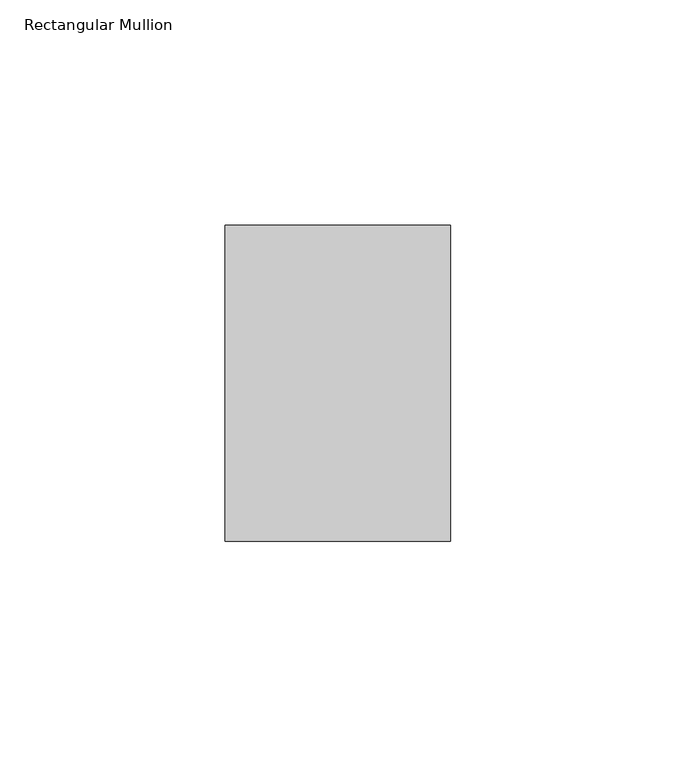
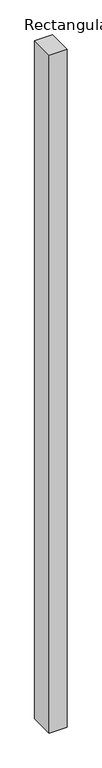
"""IFC4 building model written with IfcOpenShell, lengths in millimetres: member geometry, Rectangular Mullion."""

from ifc_helpers import new_model, si_unit, frame, origin, place, context, project, spatial, polyline, outline, extrude, source, transform, mapped, element, save


def rectangular_mullion_a3ff2f05(model_context):
    return source(origin(), model_context, "Body", "SweptSolid", [
        extrude(outline(polyline([(25.0, 35.0), (25.0, -35.0), (-25.0, -35.0), (-25.0, 35.0), (25.0, 35.0)])), frame((0.0, 0.0, -2000.0), z_axis=(0.0, 0.0, 1.0), x_axis=(1.0, 0.0, 0.0)), (0.0, 0.0, 1.0), 2000.0),
    ])


if __name__ == "__main__":
    model = new_model("IFC4")
    model_context = context("Model", 3, world=origin())
    ifc_project = project(units=[si_unit("LENGTHUNIT", "METRE", prefix="MILLI")], contexts=[model_context])
    site = spatial("IfcSite", under=ifc_project)
    building = spatial("IfcBuilding", under=site)
    placement = place(None, origin())
    rectangular_mullion_shape = rectangular_mullion_a3ff2f05(model_context)
    element("IfcMember", 1, ObjectType="Rectangular Mullion", at=placement, inside=building, context=model_context, shape_type="MappedRepresentation", body=[
        mapped(rectangular_mullion_shape, transform((0.0, 0.0, 0.0), x_axis=(1.0, 0.0, 0.0), y_axis=(0.0, 1.0, 0.0), z_axis=(0.0, 0.0, 1.0))),
    ])
    save(model, "model.ifc")
